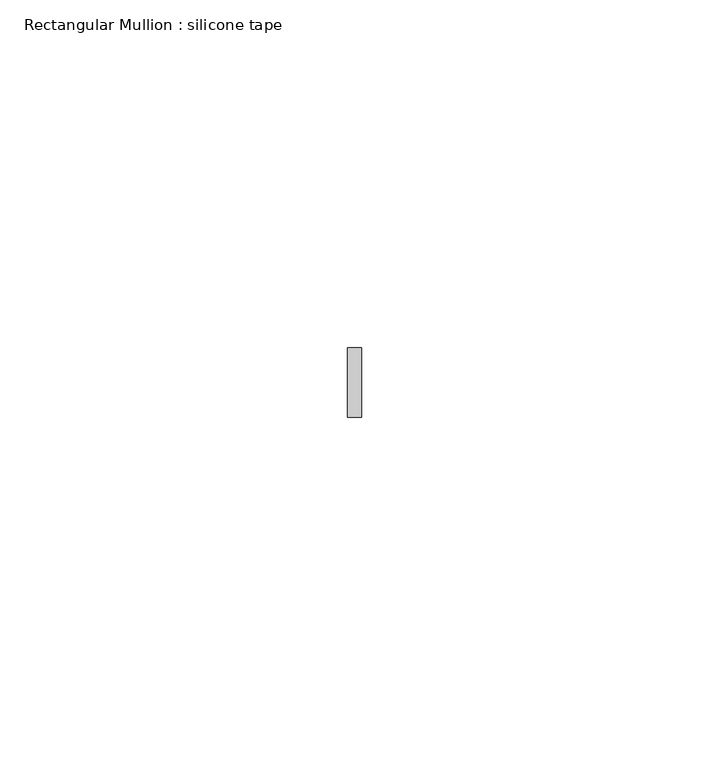
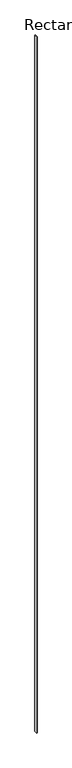
"""IFC4 building model written with IfcOpenShell, lengths in millimetres: member geometry, Rectangular Mullion : silicone tape."""

from ifc_helpers import new_model, si_unit, frame, origin, place, context, project, spatial, polyline, outline, extrude, source, transform, mapped, element, save


def rectangular_mullion_silicone_tape_1c05d588(model_context):
    return source(origin(), model_context, "Body", "SweptSolid", [
        extrude(outline(polyline([(0.0, -5.0), (-2.0, -5.0), (-2.0, 5.0), (0.0, 5.0), (0.0, -5.0)])), frame((0.0, 0.0, -2640.0000015), z_axis=(0.0, 0.0, 1.0), x_axis=(1.0, 0.0, 0.0)), (0.0, 0.0, 1.0), 2640.0000015),
    ])


if __name__ == "__main__":
    model = new_model("IFC4")
    model_context = context("Model", 3, world=origin())
    ifc_project = project(units=[si_unit("LENGTHUNIT", "METRE", prefix="MILLI")], contexts=[model_context])
    site = spatial("IfcSite", under=ifc_project)
    building = spatial("IfcBuilding", under=site)
    placement = place(None, origin())
    rectangular_mullion_silicone_tape_shape = rectangular_mullion_silicone_tape_1c05d588(model_context)
    element("IfcMember", 1, ObjectType="Rectangular Mullion : silicone tape", at=placement, inside=building, context=model_context, shape_type="MappedRepresentation", body=[
        mapped(rectangular_mullion_silicone_tape_shape, transform((0.0, 0.0, 0.0), x_axis=(1.0, 0.0, 0.0), y_axis=(0.0, 1.0, 0.0), z_axis=(0.0, 0.0, 1.0))),
    ])
    save(model, "model.ifc")
